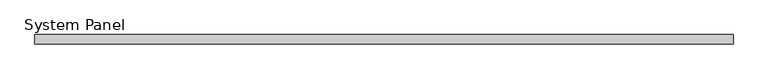
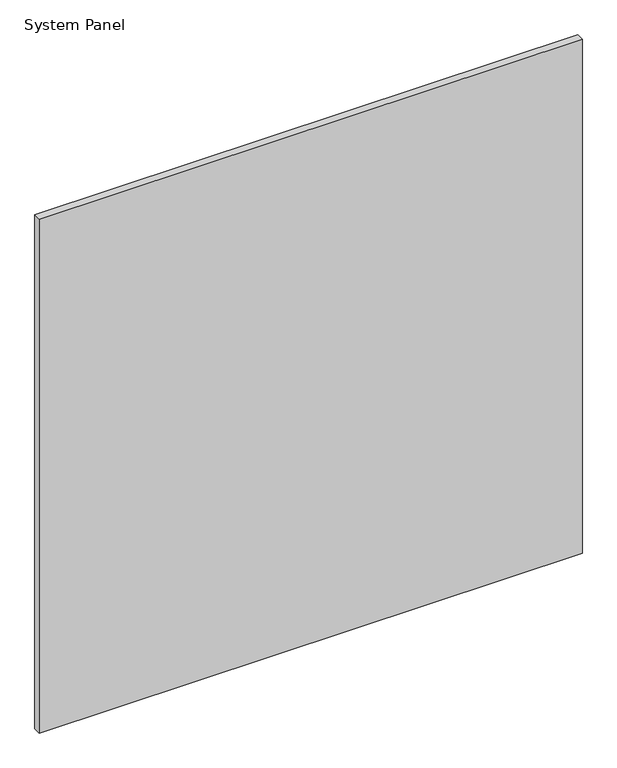
"""IFC4 building model written with IfcOpenShell, lengths in millimetres: plate geometry, System Panel."""

from ifc_helpers import new_model, si_unit, origin, origin_with_axes, place, context, project, spatial, polyline, outline, extrude, source, transform, mapped, element, save


def system_panel_54098ab9(model_context):
    return source(origin(), model_context, "Body", "SweptSolid", [
        extrude(outline(polyline([(592.5, -8.0), (-592.5, -8.0), (-592.5, 8.0), (592.5, 8.0), (592.5, -8.0)])), origin_with_axes(), (0.0, 0.0, 1.0), 1185.0),
    ])


if __name__ == "__main__":
    model = new_model("IFC4")
    model_context = context("Model", 3, world=origin())
    ifc_project = project(units=[si_unit("LENGTHUNIT", "METRE", prefix="MILLI")], contexts=[model_context])
    site = spatial("IfcSite", under=ifc_project)
    building = spatial("IfcBuilding", under=site)
    placement = place(None, origin())
    system_panel_shape = system_panel_54098ab9(model_context)
    element("IfcPlate", 1, ObjectType="System Panel", at=placement, inside=building, context=model_context, shape_type="MappedRepresentation", body=[
        mapped(system_panel_shape, transform((0.0, 0.0, 0.0), x_axis=(1.0, 0.0, 0.0), y_axis=(0.0, 1.0, 0.0), z_axis=(0.0, 0.0, 1.0))),
    ])
    save(model, "model.ifc")
